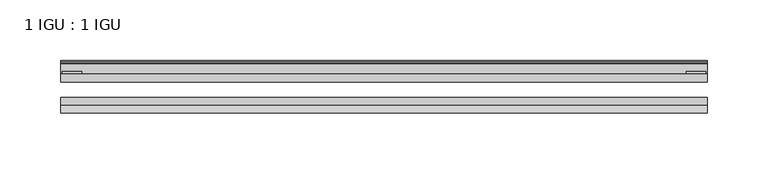
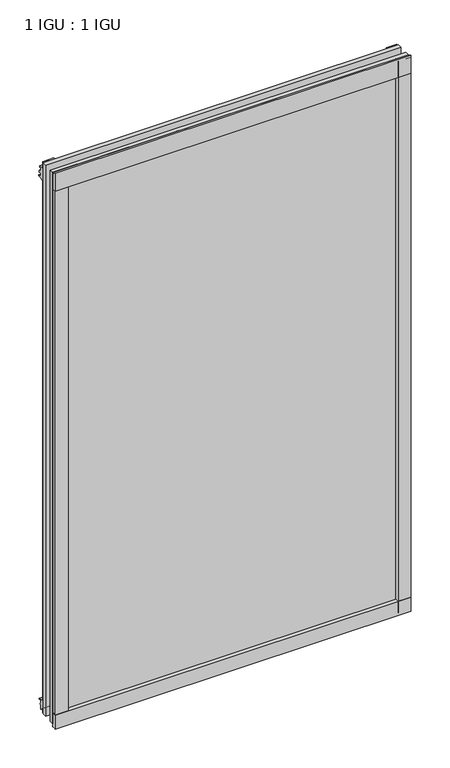
"""IFC4 building model written with IfcOpenShell, lengths in millimetres: plate geometry, 1 IGU : 1 IGU."""

from ifc_helpers import new_model, si_unit, point, frame, frame_2d, origin, place, context, project, spatial, polyline, circle_curve, trimmed, segment, composite_curve, outline, extrude, source, transform, mapped, element, save


def plate_1_igu_1_igu_261ac66e(model_context):
    return source(origin(), model_context, "Body", "SweptSolid", [
        extrude(outline(polyline([(265.11885, 0.0021347), (265.11885, -6.2992), (-265.11885, -6.2992), (-265.11885, 0.0021347), (265.11885, 0.0021347)])), frame((0.0, 0.0, -17.4498), z_axis=(0.0, 0.0, 1.0), x_axis=(1.0, 0.0, 0.0)), (0.0, 0.0, 1.0), 868.3366072),
        extrude(outline(polyline([(-265.11885, -19.0986653), (265.11885, -19.0986653), (265.11885, -25.3978653), (-265.11885, -25.3978653), (-265.11885, -19.0986653)])), frame((0.0, 0.0, -17.4498), z_axis=(0.0, 0.0, 1.0), x_axis=(1.0, 0.0, 0.0)), (0.0, 0.0, 1.0), 868.3366072),
        extrude(outline(composite_curve([segment(polyline([(-31.75, 0.0), (-25.4, 0.0), (-25.4, -22.225)]), True, "CONTINUOUS"), segment(trimmed(circle_curve(frame_2d((-28.575, -28.9113452)), 7.4018806), [point((-25.4, -22.225))], [point((-31.75, -22.225))], True, "CARTESIAN"), True, "CONTINUOUS"), segment(polyline([(-31.75, -22.225), (-31.75, 0.0)]), True, "CONTINUOUS")], self_intersect=False)), frame((-265.11885, 0.0, 0.0), z_axis=(1.0, 0.0, 0.0), x_axis=(0.0, 1.0, 0.0)), (0.0, 0.0, 1.0), 530.2377),
        extrude(outline(composite_curve([segment(trimmed(circle_curve(frame_2d((13.6593785, 32.4202472)), 31.3046461), [point((0.0, 4.2528503))], [point((9.3980339, 1.406995))], True, "CARTESIAN"), True, "CONTINUOUS"), segment(polyline([(9.3980339, 1.406995), (9.3980339, 0.0254), (6.35, 0.0254), (6.35, -5.1625788), (7.7309478, -5.3970663), (6.35, -8.0073788), (6.35, -11.8471127)]), True, "CONTINUOUS"), segment(trimmed(circle_curve(frame_2d((5.334, -11.8471127)), 1.016), [point((6.35, -11.8471127))], [point((4.6284878, -12.5782136))], False, "CARTESIAN"), True, "CONTINUOUS"), segment(trimmed(circle_curve(frame_2d((-23.3689302, -41.5910901)), 40.3187601), [point((4.6284878, -12.5782136))], [point((0.0, -8.735413))], True, "CARTESIAN"), True, "CONTINUOUS"), segment(polyline([(0.0, -8.735413), (0.0, 4.2528503)]), True, "CONTINUOUS")], self_intersect=False)), frame((-265.11885, 0.0, 0.0), z_axis=(1.0, 0.0, 0.0), x_axis=(0.0, 1.0, 0.0)), (0.0, 0.0, 1.0), 530.2377),
        extrude(outline(composite_curve([segment(polyline([(8.509, 840.7300284), (8.509, 838.6980284), (6.35, 838.6980284), (6.35, 833.3640284), (8.9492698, 833.3640284)]), True, "CONTINUOUS"), segment(trimmed(circle_curve(frame_2d((8.208689, 831.8368072)), 1.697311), [point((8.9492698, 833.3640284))], [point((8.962411, 830.3160284))], False, "CARTESIAN"), True, "CONTINUOUS"), segment(polyline([(8.962411, 830.3160284), (6.35, 830.3160284), (6.35, 825.4868072), (11.1252, 825.4868072), (11.1252, 824.5978072)]), True, "CONTINUOUS"), segment(trimmed(circle_curve(frame_2d((10.1092, 824.5978072)), 1.016), [point((11.1252, 824.5978072))], [point((10.1092, 823.5818072))], False, "CARTESIAN"), True, "CONTINUOUS"), segment(trimmed(circle_curve(frame_2d((10.1092, 804.1707318)), 19.4110754), [point((10.1092, 823.5818072))], [point((0.0, 820.7416075))], True, "CARTESIAN"), True, "CONTINUOUS"), segment(polyline([(0.0, 820.7416075), (0.0, 840.7300284), (8.509, 840.7300284)]), True, "CONTINUOUS")], self_intersect=False)), frame((-265.11885, 0.0, 0.0), z_axis=(1.0, 0.0, 0.0), x_axis=(0.0, 1.0, 0.0)), (0.0, 0.0, 1.0), 530.2377),
        extrude(outline(composite_curve([segment(polyline([(-25.4, 850.8868072), (-25.4, 825.4868072), (-31.75, 825.4868072), (-31.75, 853.6597045)]), True, "CONTINUOUS"), segment(trimmed(circle_curve(frame_2d((-24.1401272, 862.4292187)), 11.6109665), [point((-31.75, 853.6597045))], [point((-25.4, 850.8868072))], True, "CARTESIAN"), True, "CONTINUOUS")], self_intersect=False)), frame((-265.11885, 0.0, 0.0), z_axis=(1.0, 0.0, 0.0), x_axis=(0.0, 1.0, 0.0)), (0.0, 0.0, 1.0), 530.2377),
        extrude(outline(composite_curve([segment(polyline([(246.06885, -25.4), (265.11885, -25.4)]), True, "CONTINUOUS"), segment(trimmed(circle_curve(frame_2d((274.5850007, -28.575)), 9.9844196), [point((265.11885, -25.4))], [point((265.11885, -31.75))], True, "CARTESIAN"), True, "CONTINUOUS"), segment(polyline([(265.11885, -31.75), (246.06885, -31.75), (246.06885, -25.4)]), True, "CONTINUOUS")], self_intersect=False)), frame((0.0, 0.0, -17.4498), z_axis=(0.0, 0.0, 1.0), x_axis=(1.0, 0.0, 0.0)), (0.0, 0.0, 1.0), 868.3366072),
        extrude(outline(polyline([(263.91235, 2.2860088), (263.91235, 0.0021347), (248.03735, 0.0021347), (248.03735, 2.2860088), (263.91235, 2.2860088)])), frame((0.0, 0.0, -17.4498), z_axis=(0.0, 0.0, 1.0), x_axis=(1.0, 0.0, 0.0)), (0.0, 0.0, 1.0), 868.3366072),
        extrude(outline(composite_curve([segment(trimmed(circle_curve(frame_2d((-274.5850007, -28.575)), 9.9844196), [point((-265.11885, -31.75))], [point((-265.11885, -25.4))], True, "CARTESIAN"), True, "CONTINUOUS"), segment(polyline([(-265.11885, -25.4), (-246.06885, -25.4), (-246.06885, -31.75), (-265.11885, -31.75)]), True, "CONTINUOUS")], self_intersect=False)), frame((0.0, 0.0, -17.4498), z_axis=(0.0, 0.0, 1.0), x_axis=(1.0, 0.0, 0.0)), (0.0, 0.0, 1.0), 868.3366072),
        extrude(outline(polyline([(-263.91235, 0.0), (-263.91235, 2.286), (-248.03735, 2.286), (-248.03735, 0.0), (-263.91235, 0.0)])), frame((0.0, 0.0, -17.4498), z_axis=(0.0, 0.0, 1.0), x_axis=(1.0, 0.0, 0.0)), (0.0, 0.0, 1.0), 868.3366072),
    ])


if __name__ == "__main__":
    model = new_model("IFC4")
    model_context = context("Model", 3, world=origin())
    ifc_project = project(units=[si_unit("LENGTHUNIT", "METRE", prefix="MILLI")], contexts=[model_context])
    site = spatial("IfcSite", under=ifc_project)
    building = spatial("IfcBuilding", under=site)
    placement = place(None, origin())
    plate_1_igu_1_igu_shape = plate_1_igu_1_igu_261ac66e(model_context)
    element("IfcPlate", 1, ObjectType="1 IGU : 1 IGU", at=placement, inside=building, context=model_context, shape_type="MappedRepresentation", body=[
        mapped(plate_1_igu_1_igu_shape, transform((0.0, 0.0, 0.0), x_axis=(1.0, 0.0, 0.0), y_axis=(0.0, 1.0, 0.0), z_axis=(0.0, 0.0, 1.0))),
    ])
    save(model, "model.ifc")
